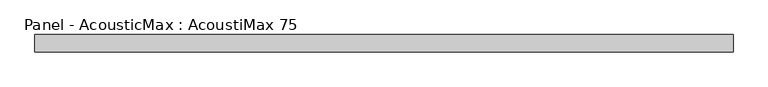
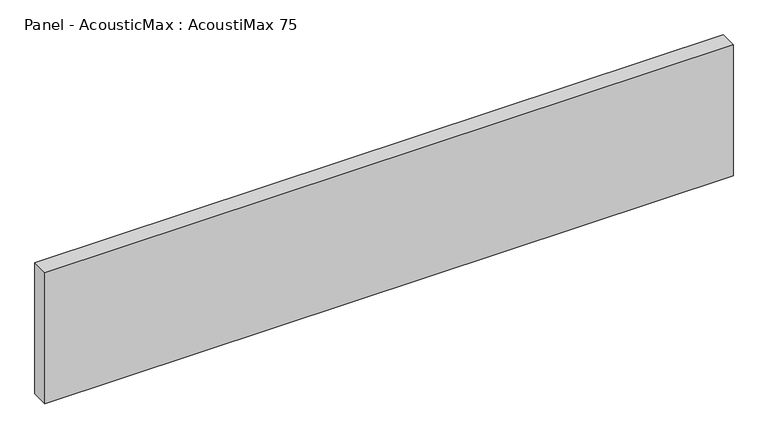
"""IFC4 building model written with IfcOpenShell, lengths in millimetres: plate geometry, Panel - AcousticMax : AcoustiMax 75."""

from ifc_helpers import new_model, si_unit, origin, origin_with_axes, place, context, project, spatial, polyline, outline, extrude, source, transform, mapped, element, save


def panel_acousticmax_acoustimax_75_9ee3b87f(model_context):
    return source(origin(), model_context, "Body", "SweptSolid", [
        extrude(outline(polyline([(1491.0, 37.5), (1491.0, -37.5), (-1490.5, -37.5), (-1490.5, 37.5), (1491.0, 37.5)])), origin_with_axes(), (0.0, 0.0, 1.0), 600.0),
    ])


if __name__ == "__main__":
    model = new_model("IFC4")
    model_context = context("Model", 3, world=origin())
    ifc_project = project(units=[si_unit("LENGTHUNIT", "METRE", prefix="MILLI")], contexts=[model_context])
    site = spatial("IfcSite", under=ifc_project)
    building = spatial("IfcBuilding", under=site)
    placement = place(None, origin())
    panel_acousticmax_acoustimax_75_shape = panel_acousticmax_acoustimax_75_9ee3b87f(model_context)
    element("IfcPlate", 1, ObjectType="Panel - AcousticMax : AcoustiMax 75", at=placement, inside=building, context=model_context, shape_type="MappedRepresentation", body=[
        mapped(panel_acousticmax_acoustimax_75_shape, transform((0.0, 0.0, 0.0), x_axis=(1.0, 0.0, 0.0), y_axis=(0.0, 1.0, 0.0), z_axis=(0.0, 0.0, 1.0))),
    ])
    save(model, "model.ifc")
